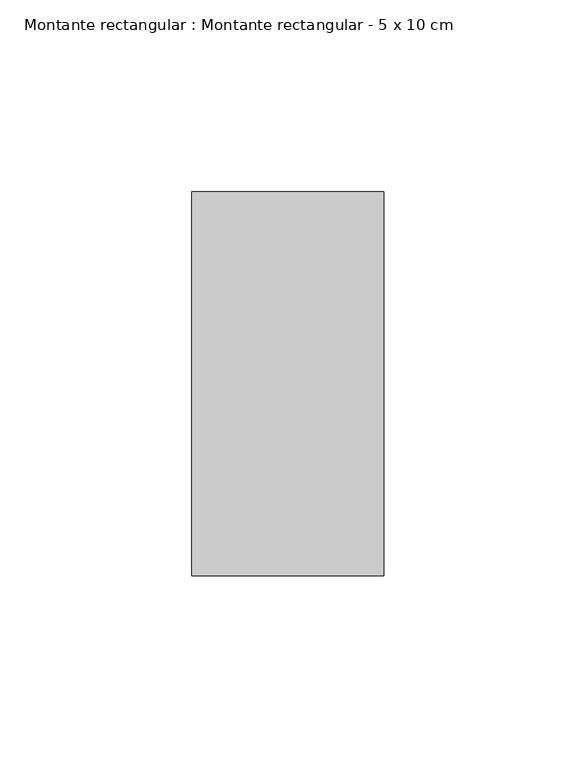
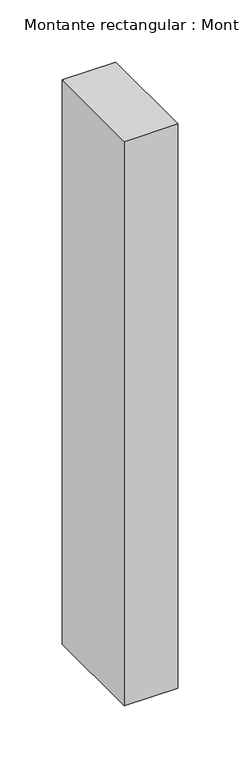
"""IFC4 building model written with IfcOpenShell, lengths in millimetres: member geometry, Montante rectangular : Montante rectangular - 5 x 10 cm."""

from ifc_helpers import new_model, si_unit, frame, origin, place, context, project, spatial, polyline, outline, extrude, source, transform, mapped, element, save


def montante_rectangular_montante_rectangular_5_x_10_cm_8b2b7bc9(model_context):
    return source(origin(), model_context, "Body", "SweptSolid", [
        extrude(outline(polyline([(-50.0, 50.0), (0.0, 50.0), (0.0, -50.0), (-50.0, -50.0), (-50.0, 50.0)])), frame((0.0, 0.0, -555.0), z_axis=(0.0, 0.0, 1.0), x_axis=(1.0, 0.0, 0.0)), (0.0, 0.0, 1.0), 555.0),
    ])


if __name__ == "__main__":
    model = new_model("IFC4")
    model_context = context("Model", 3, world=origin())
    ifc_project = project(units=[si_unit("LENGTHUNIT", "METRE", prefix="MILLI")], contexts=[model_context])
    site = spatial("IfcSite", under=ifc_project)
    building = spatial("IfcBuilding", under=site)
    placement = place(None, origin())
    montante_rectangular_montante_rectangular_5_x_10_cm_shape = montante_rectangular_montante_rectangular_5_x_10_cm_8b2b7bc9(model_context)
    element("IfcMember", 1, ObjectType="Montante rectangular : Montante rectangular - 5 x 10 cm", at=placement, inside=building, context=model_context, shape_type="MappedRepresentation", body=[
        mapped(montante_rectangular_montante_rectangular_5_x_10_cm_shape, transform((0.0, 0.0, 0.0), x_axis=(1.0, 0.0, 0.0), y_axis=(0.0, 1.0, 0.0), z_axis=(0.0, 0.0, 1.0))),
    ])
    save(model, "model.ifc")
